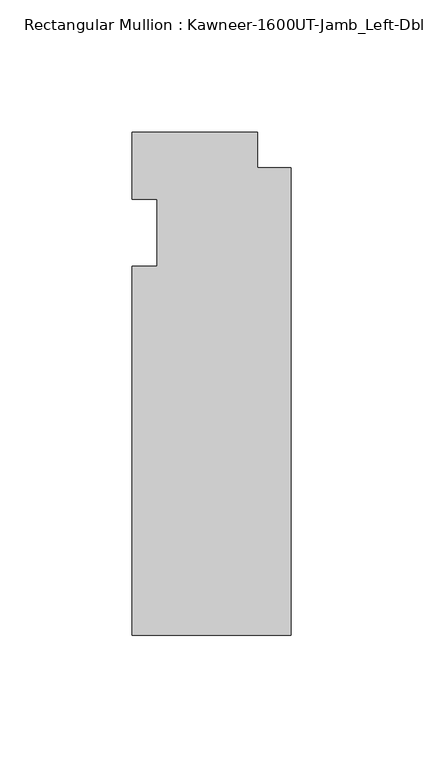
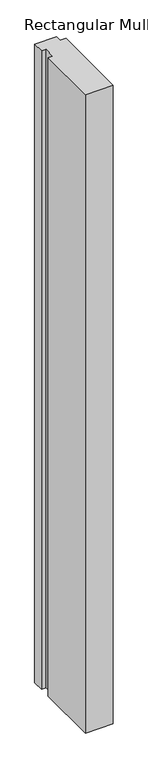
"""IFC4 building model written with IfcOpenShell, lengths in millimetres: member geometry."""

from ifc_helpers import new_model, si_unit, frame, origin, place, context, project, spatial, polyline, outline, extrude, source, transform, mapped, element, save


def member_fb8098fb(model_context):
    return source(origin(), model_context, "Body", "SweptSolid", [
        extrude(outline(polyline([(-60.325, -12.7), (-50.8, -12.7), (-50.8, 12.7), (-60.325, 12.7), (-60.325, 38.1), (-12.7, 38.1), (-12.7, 24.60625), (0.0, 24.60625), (0.0, -152.4), (-60.325, -152.4), (-60.325, -12.7)])), frame((0.0, 0.0, -1463.675), z_axis=(0.0, 0.0, 1.0), x_axis=(1.0, 0.0, 0.0)), (0.0, 0.0, 1.0), 1463.675),
    ])


if __name__ == "__main__":
    model = new_model("IFC4")
    model_context = context("Model", 3, world=origin())
    ifc_project = project(units=[si_unit("LENGTHUNIT", "METRE", prefix="MILLI")], contexts=[model_context])
    site = spatial("IfcSite", under=ifc_project)
    building = spatial("IfcBuilding", under=site)
    placement = place(None, origin())
    member_shape = member_fb8098fb(model_context)
    element("IfcMember", 1, ObjectType="Rectangular Mullion : Kawneer-1600UT-Jamb_Left-Dbl_Glass-7_1/2\"", at=placement, inside=building, context=model_context, shape_type="MappedRepresentation", body=[
        mapped(member_shape, transform((0.0, 0.0, 0.0), x_axis=(1.0, 0.0, 0.0), y_axis=(0.0, 1.0, 0.0), z_axis=(0.0, 0.0, 1.0))),
    ])
    save(model, "model.ifc")
